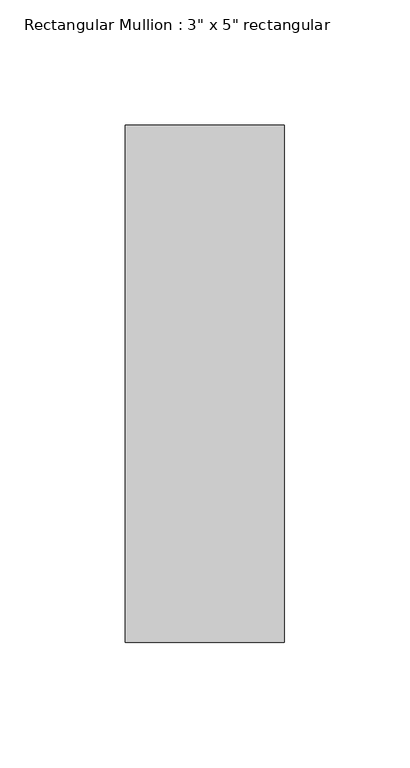
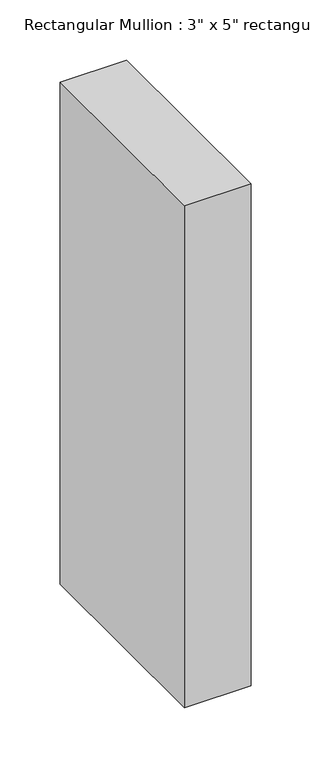
"""IFC4 building model written with IfcOpenShell, lengths in millimetres: member geometry."""

import ifcopenshell
import ifcopenshell.guid

model = None  # the IFC model being written
_history = None  # IfcOwnerHistory: only IFC2X3 demands one
_inside = {}  # id of a spatial element -> (the spatial element, [elements in it])
_under = {}  # id of a project, library or spatial element -> (it, [spatial elements below it])
_declared = {}  # id of a project -> (the project, [libraries it declares])
_typed = {}  # id of a type object -> (the type object, [elements of that type])
_made_of = {}  # id of a material, layer set ... -> (it, [elements and type objects made of it])


def new_model(schema):
    """Start an empty IFC model of exactly this schema.

    Asked for "IFC4X3", IfcOpenShell would pick the latest addendum, in which some entities
    have other attributes; the version numbers below select the first issue.
    IFC2X3 requires an IfcOwnerHistory on every rooted entity: one is made here for all.
    """
    global model, _history
    if schema == "IFC4X3":
        model = ifcopenshell.file(schema_version=(4, 3, 0, 0))
    else:
        model = ifcopenshell.file(schema=schema)
    _inside.clear()
    _under.clear()
    _declared.clear()
    _typed.clear()
    _made_of.clear()
    _history = None
    if model.schema == "IFC2X3":
        org = make("IfcOrganization", Name="unknown")
        user = make(
            "IfcPersonAndOrganization",
            ThePerson=make("IfcPerson", FamilyName="unknown"),
            TheOrganization=org,
        )
        app = make(
            "IfcApplication",
            ApplicationDeveloper=org,
            Version="unknown",
            ApplicationFullName="unknown",
            ApplicationIdentifier="unknown",
        )
        _history = make(
            "IfcOwnerHistory",
            OwningUser=user,
            OwningApplication=app,
            ChangeAction="ADDED",
            CreationDate=0,
        )
    return model


def make(cls, **values):
    """One entity of the class cls with the attributes given. An attribute that is None is left unset."""
    return model.create_entity(
        cls, **{name: value for name, value in values.items() if value is not None}
    )


def rooted(cls, **values):
    """An entity with a GlobalId (a new one), such as an element, a storey or a relation."""
    return make(cls, GlobalId=ifcopenshell.guid.new(), OwnerHistory=_history, **values)


def si_unit(unit_type, name, prefix=None):
    """IfcSIUnit, for example si_unit("LENGTHUNIT", "METRE", prefix="MILLI")."""
    return make("IfcSIUnit", UnitType=unit_type, Prefix=prefix, Name=name)


def assignment(units):
    """IfcUnitAssignment: the units of a project."""
    return None if units is None else make("IfcUnitAssignment", Units=units)


def point(xyz):
    """IfcCartesianPoint."""
    return None if xyz is None else make("IfcCartesianPoint", Coordinates=xyz)


def direction(xyz):
    """IfcDirection."""
    return None if xyz is None else make("IfcDirection", DirectionRatios=xyz)


def frame(location, z_axis=None, x_axis=None):
    """IfcAxis2Placement3D, a coordinate frame: its origin and axes. An axis left out is left unset."""
    return make(
        "IfcAxis2Placement3D",
        Location=point(location),
        Axis=direction(z_axis),
        RefDirection=direction(x_axis),
    )


def origin():
    """The frame at (0, 0, 0) with its axes left unset."""
    return frame((0.0, 0.0, 0.0))


def place(relative_to, where):
    """IfcLocalPlacement: puts the frame where relative to a parent placement (None: the world)."""
    return make(
        "IfcLocalPlacement", PlacementRelTo=relative_to, RelativePlacement=where
    )


def context(
    kind, dimensions, precision=None, world=None, true_north=None, identifier=None
):
    """IfcGeometricRepresentationContext, for example the 3D "Model" context."""
    return make(
        "IfcGeometricRepresentationContext",
        ContextIdentifier=identifier,
        ContextType=kind,
        CoordinateSpaceDimension=dimensions,
        Precision=precision,
        WorldCoordinateSystem=world,
        TrueNorth=true_north,
    )


def project(units=None, contexts=None):
    """IfcProject with its units and contexts."""
    return rooted(
        "IfcProject",
        Name="project",
        RepresentationContexts=contexts,
        UnitsInContext=assignment(units),
    )


def spatial(cls, under=None, at=None, **own):
    """A site, building, storey or space (cls), placed at a placement, below another one or the project."""
    s = rooted(cls, ObjectPlacement=at, **own)
    if under is not None:
        _under.setdefault(under.id(), (under, []))[1].append(s)
    return s


def polyline(points):
    """IfcPolyline through the points."""
    return make("IfcPolyline", Points=[point(p) for p in points])


def outline(outer, holes=None, kind="AREA"):
    """IfcArbitraryClosedProfileDef: a profile drawn as a closed curve; with holes, ...WithVoids."""
    if holes is None:
        return make("IfcArbitraryClosedProfileDef", ProfileType=kind, OuterCurve=outer)
    return make(
        "IfcArbitraryProfileDefWithVoids",
        ProfileType=kind,
        OuterCurve=outer,
        InnerCurves=holes,
    )


def extrude(swept, where, along, depth):
    """IfcExtrudedAreaSolid: the profile swept, set in the frame where, extruded along a direction by depth."""
    return make(
        "IfcExtrudedAreaSolid",
        SweptArea=swept,
        Position=where,
        ExtrudedDirection=direction(along),
        Depth=depth,
    )


def shape(context_of_items, identifier, shape_type, items):
    """IfcShapeRepresentation: the items that make up one representation, for example the "Body"."""
    return make(
        "IfcShapeRepresentation",
        ContextOfItems=context_of_items,
        RepresentationIdentifier=identifier,
        RepresentationType=shape_type,
        Items=items,
    )


def source(mapping_origin, context_of_items, identifier, shape_type, items):
    """IfcRepresentationMap: a shape defined once, which mapped items show again and again."""
    return make(
        "IfcRepresentationMap",
        MappingOrigin=mapping_origin,
        MappedRepresentation=shape(context_of_items, identifier, shape_type, items),
    )


def transform(
    local_origin,
    x_axis=None,
    y_axis=None,
    z_axis=None,
    scale=None,
    scale2=None,
    scale3=None,
    uniform=True,
):
    """IfcCartesianTransformationOperator3D, or its non-uniform kind. x_axis, y_axis, z_axis: its Axis1, 2, 3."""
    if uniform:
        return make(
            "IfcCartesianTransformationOperator3D",
            Axis1=direction(x_axis),
            Axis2=direction(y_axis),
            LocalOrigin=point(local_origin),
            Scale=scale,
            Axis3=direction(z_axis),
        )
    return make(
        "IfcCartesianTransformationOperator3DnonUniform",
        Axis1=direction(x_axis),
        Axis2=direction(y_axis),
        LocalOrigin=point(local_origin),
        Scale=scale,
        Axis3=direction(z_axis),
        Scale2=scale2,
        Scale3=scale3,
    )


def mapped(mapping_source, mapping_target):
    """IfcMappedItem: shows the shape of a source again, moved by a transform."""
    return make(
        "IfcMappedItem", MappingSource=mapping_source, MappingTarget=mapping_target
    )


def made_of(thing, what):
    """Note that an element or type object is made of a material, layer set ...; save() writes the relation."""
    if what is not None:
        _made_of.setdefault(what.id(), (what, []))[1].append(thing)
    return thing


def element(
    cls,
    number,
    at=None,
    inside=None,
    cuts=None,
    type_object=None,
    material=None,
    context=None,
    identifier="Body",
    shape_type=None,
    held_by="IfcProductDefinitionShape",
    body=None,
    shapes=None,
    **own,
):
    """One element of the class cls, such as IfcWall. Its Tag is "e" and its number.

    at: its placement. inside: the storey or other place that contains it. cuts: it is an
    opening in that element (IfcRelVoidsElement). A single representation is given by context,
    identifier, shape_type and body (its items); several are given by shapes. held_by: the class
    of the entity that holds the representations. save() writes the other relations.
    """
    e = rooted(cls, Tag="e%d" % number, ObjectPlacement=at, **own)
    if body is not None:
        shapes = [shape(context, identifier, shape_type, body)]
    if shapes is not None:
        e.Representation = make(held_by, Representations=shapes)
    if inside is not None:
        _inside.setdefault(inside.id(), (inside, []))[1].append(e)
    if cuts is not None:
        rooted(
            "IfcRelVoidsElement", RelatingBuildingElement=cuts, RelatedOpeningElement=e
        )
    if type_object is not None:
        _typed.setdefault(type_object.id(), (type_object, []))[1].append(e)
    return made_of(e, material)


def aggregate(whole, parts):
    """IfcRelAggregates: a whole, such as a stair, and the parts it consists of."""
    return rooted("IfcRelAggregates", RelatingObject=whole, RelatedObjects=parts)


def save(model, path):
    """Write the relations noted so far, then the file.

    IfcRelAggregates (storeys below a building ...), IfcRelContainedInSpatialStructure (elements
    in a storey), IfcRelDefinesByType, IfcRelAssociatesMaterial and IfcRelDeclares: one each for
    every whole, place, type object, material and project.
    """
    for whole, parts in _under.values():
        aggregate(whole, parts)
    for where, things in _inside.values():
        rooted(
            "IfcRelContainedInSpatialStructure",
            RelatedElements=things,
            RelatingStructure=where,
        )
    for kind, things in _typed.values():
        rooted("IfcRelDefinesByType", RelatedObjects=things, RelatingType=kind)
    for what, things in _made_of.values():
        rooted("IfcRelAssociatesMaterial", RelatedObjects=things, RelatingMaterial=what)
    for by, libraries in _declared.values():
        rooted("IfcRelDeclares", RelatingContext=by, RelatedDefinitions=libraries)
    model.write(path)


def member_8f5f9bf5(model_context):
    return source(origin(), model_context, "Body", "SweptSolid", [
        extrude(outline(polyline([(0.0, 90.551), (0.0, -115.951), (-63.5, -115.951), (-63.5, 90.551), (0.0, 90.551)])), frame((0.0, 0.0, -508.0), z_axis=(0.0, 0.0, 1.0), x_axis=(1.0, 0.0, 0.0)), (0.0, 0.0, 1.0), 508.0),
    ])


if __name__ == "__main__":
    model = new_model("IFC4")
    model_context = context("Model", 3, world=origin())
    ifc_project = project(units=[si_unit("LENGTHUNIT", "METRE", prefix="MILLI")], contexts=[model_context])
    site = spatial("IfcSite", under=ifc_project)
    building = spatial("IfcBuilding", under=site)
    placement = place(None, origin())
    member_shape = member_8f5f9bf5(model_context)
    element("IfcMember", 1, ObjectType="Rectangular Mullion : 3\" x 5\" rectangular", at=placement, inside=building, context=model_context, shape_type="MappedRepresentation", body=[
        mapped(member_shape, transform((0.0, 0.0, 0.0), x_axis=(1.0, 0.0, 0.0), y_axis=(0.0, 1.0, 0.0), z_axis=(0.0, 0.0, 1.0))),
    ])
    save(model, "model.ifc")
